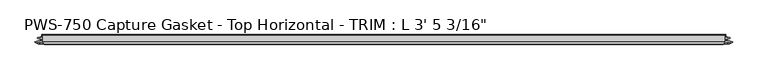
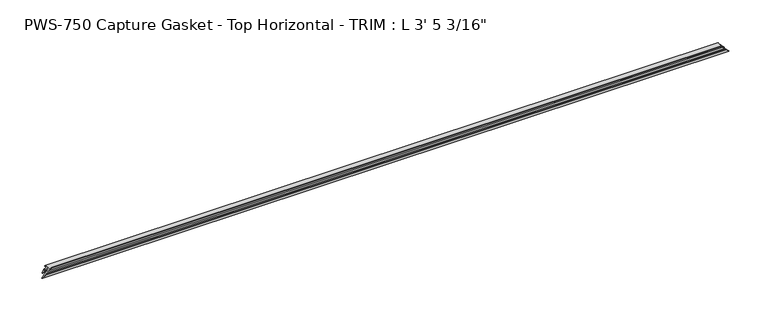
"""IFC4 building model written with IfcOpenShell, lengths in millimetres: proxy geometry."""

import ifcopenshell
import ifcopenshell.guid

model = None  # the IFC model being written
_history = None  # IfcOwnerHistory: only IFC2X3 demands one
_inside = {}  # id of a spatial element -> (the spatial element, [elements in it])
_under = {}  # id of a project, library or spatial element -> (it, [spatial elements below it])
_declared = {}  # id of a project -> (the project, [libraries it declares])
_typed = {}  # id of a type object -> (the type object, [elements of that type])
_made_of = {}  # id of a material, layer set ... -> (it, [elements and type objects made of it])


def new_model(schema):
    """Start an empty IFC model of exactly this schema.

    Asked for "IFC4X3", IfcOpenShell would pick the latest addendum, in which some entities
    have other attributes; the version numbers below select the first issue.
    IFC2X3 requires an IfcOwnerHistory on every rooted entity: one is made here for all.
    """
    global model, _history
    if schema == "IFC4X3":
        model = ifcopenshell.file(schema_version=(4, 3, 0, 0))
    else:
        model = ifcopenshell.file(schema=schema)
    _inside.clear()
    _under.clear()
    _declared.clear()
    _typed.clear()
    _made_of.clear()
    _history = None
    if model.schema == "IFC2X3":
        org = make("IfcOrganization", Name="unknown")
        user = make(
            "IfcPersonAndOrganization",
            ThePerson=make("IfcPerson", FamilyName="unknown"),
            TheOrganization=org,
        )
        app = make(
            "IfcApplication",
            ApplicationDeveloper=org,
            Version="unknown",
            ApplicationFullName="unknown",
            ApplicationIdentifier="unknown",
        )
        _history = make(
            "IfcOwnerHistory",
            OwningUser=user,
            OwningApplication=app,
            ChangeAction="ADDED",
            CreationDate=0,
        )
    return model


def make(cls, **values):
    """One entity of the class cls with the attributes given. An attribute that is None is left unset."""
    return model.create_entity(
        cls, **{name: value for name, value in values.items() if value is not None}
    )


def rooted(cls, **values):
    """An entity with a GlobalId (a new one), such as an element, a storey or a relation."""
    return make(cls, GlobalId=ifcopenshell.guid.new(), OwnerHistory=_history, **values)


def si_unit(unit_type, name, prefix=None):
    """IfcSIUnit, for example si_unit("LENGTHUNIT", "METRE", prefix="MILLI")."""
    return make("IfcSIUnit", UnitType=unit_type, Prefix=prefix, Name=name)


def assignment(units):
    """IfcUnitAssignment: the units of a project."""
    return None if units is None else make("IfcUnitAssignment", Units=units)


def point(xyz):
    """IfcCartesianPoint."""
    return None if xyz is None else make("IfcCartesianPoint", Coordinates=xyz)


def direction(xyz):
    """IfcDirection."""
    return None if xyz is None else make("IfcDirection", DirectionRatios=xyz)


def frame(location, z_axis=None, x_axis=None):
    """IfcAxis2Placement3D, a coordinate frame: its origin and axes. An axis left out is left unset."""
    return make(
        "IfcAxis2Placement3D",
        Location=point(location),
        Axis=direction(z_axis),
        RefDirection=direction(x_axis),
    )


def origin():
    """The frame at (0, 0, 0) with its axes left unset."""
    return frame((0.0, 0.0, 0.0))


def place(relative_to, where):
    """IfcLocalPlacement: puts the frame where relative to a parent placement (None: the world)."""
    return make(
        "IfcLocalPlacement", PlacementRelTo=relative_to, RelativePlacement=where
    )


def context(
    kind, dimensions, precision=None, world=None, true_north=None, identifier=None
):
    """IfcGeometricRepresentationContext, for example the 3D "Model" context."""
    return make(
        "IfcGeometricRepresentationContext",
        ContextIdentifier=identifier,
        ContextType=kind,
        CoordinateSpaceDimension=dimensions,
        Precision=precision,
        WorldCoordinateSystem=world,
        TrueNorth=true_north,
    )


def project(units=None, contexts=None):
    """IfcProject with its units and contexts."""
    return rooted(
        "IfcProject",
        Name="project",
        RepresentationContexts=contexts,
        UnitsInContext=assignment(units),
    )


def spatial(cls, under=None, at=None, **own):
    """A site, building, storey or space (cls), placed at a placement, below another one or the project."""
    s = rooted(cls, ObjectPlacement=at, **own)
    if under is not None:
        _under.setdefault(under.id(), (under, []))[1].append(s)
    return s


def faces_of(points, faces, orient=None, outer=None):
    """IfcFace entities. A face is a list of loops; a loop is a list of indices into points, from 0.

    orient and outer hold one flag for each loop. By default every Orientation is true, the
    first loop of a face is its IfcFaceOuterBound and the others are IfcFaceBound.
    """
    made = []
    for i, loops in enumerate(faces):
        bounds = []
        for j, loop in enumerate(loops):
            is_outer = j == 0 if outer is None else outer[i][j]
            bounds.append(
                make(
                    "IfcFaceOuterBound" if is_outer else "IfcFaceBound",
                    Bound=make("IfcPolyLoop", Polygon=[points[k] for k in loop]),
                    Orientation=True if orient is None else orient[i][j],
                )
            )
        made.append(make("IfcFace", Bounds=bounds))
    return made


def faceted_brep(points, faces, orient=None, outer=None, voids=None):
    """IfcFacetedBrep: a solid bounded by flat faces; with voids (closed shells), ...WithVoids."""
    shared = [point(p) for p in points]
    hull = make("IfcClosedShell", CfsFaces=faces_of(shared, faces, orient, outer))
    if voids is None:
        return make("IfcFacetedBrep", Outer=hull)
    return make(
        "IfcFacetedBrepWithVoids",
        Outer=hull,
        Voids=[
            make(cls, CfsFaces=faces_of(shared, fs, o, b)) for cls, fs, o, b in voids
        ],
    )


def shape(context_of_items, identifier, shape_type, items):
    """IfcShapeRepresentation: the items that make up one representation, for example the "Body"."""
    return make(
        "IfcShapeRepresentation",
        ContextOfItems=context_of_items,
        RepresentationIdentifier=identifier,
        RepresentationType=shape_type,
        Items=items,
    )


def source(mapping_origin, context_of_items, identifier, shape_type, items):
    """IfcRepresentationMap: a shape defined once, which mapped items show again and again."""
    return make(
        "IfcRepresentationMap",
        MappingOrigin=mapping_origin,
        MappedRepresentation=shape(context_of_items, identifier, shape_type, items),
    )


def transform(
    local_origin,
    x_axis=None,
    y_axis=None,
    z_axis=None,
    scale=None,
    scale2=None,
    scale3=None,
    uniform=True,
):
    """IfcCartesianTransformationOperator3D, or its non-uniform kind. x_axis, y_axis, z_axis: its Axis1, 2, 3."""
    if uniform:
        return make(
            "IfcCartesianTransformationOperator3D",
            Axis1=direction(x_axis),
            Axis2=direction(y_axis),
            LocalOrigin=point(local_origin),
            Scale=scale,
            Axis3=direction(z_axis),
        )
    return make(
        "IfcCartesianTransformationOperator3DnonUniform",
        Axis1=direction(x_axis),
        Axis2=direction(y_axis),
        LocalOrigin=point(local_origin),
        Scale=scale,
        Axis3=direction(z_axis),
        Scale2=scale2,
        Scale3=scale3,
    )


def mapped(mapping_source, mapping_target):
    """IfcMappedItem: shows the shape of a source again, moved by a transform."""
    return make(
        "IfcMappedItem", MappingSource=mapping_source, MappingTarget=mapping_target
    )


def made_of(thing, what):
    """Note that an element or type object is made of a material, layer set ...; save() writes the relation."""
    if what is not None:
        _made_of.setdefault(what.id(), (what, []))[1].append(thing)
    return thing


def element(
    cls,
    number,
    at=None,
    inside=None,
    cuts=None,
    type_object=None,
    material=None,
    context=None,
    identifier="Body",
    shape_type=None,
    held_by="IfcProductDefinitionShape",
    body=None,
    shapes=None,
    **own,
):
    """One element of the class cls, such as IfcWall. Its Tag is "e" and its number.

    at: its placement. inside: the storey or other place that contains it. cuts: it is an
    opening in that element (IfcRelVoidsElement). A single representation is given by context,
    identifier, shape_type and body (its items); several are given by shapes. held_by: the class
    of the entity that holds the representations. save() writes the other relations.
    """
    e = rooted(cls, Tag="e%d" % number, ObjectPlacement=at, **own)
    if body is not None:
        shapes = [shape(context, identifier, shape_type, body)]
    if shapes is not None:
        e.Representation = make(held_by, Representations=shapes)
    if inside is not None:
        _inside.setdefault(inside.id(), (inside, []))[1].append(e)
    if cuts is not None:
        rooted(
            "IfcRelVoidsElement", RelatingBuildingElement=cuts, RelatedOpeningElement=e
        )
    if type_object is not None:
        _typed.setdefault(type_object.id(), (type_object, []))[1].append(e)
    return made_of(e, material)


def aggregate(whole, parts):
    """IfcRelAggregates: a whole, such as a stair, and the parts it consists of."""
    return rooted("IfcRelAggregates", RelatingObject=whole, RelatedObjects=parts)


def save(model, path):
    """Write the relations noted so far, then the file.

    IfcRelAggregates (storeys below a building ...), IfcRelContainedInSpatialStructure (elements
    in a storey), IfcRelDefinesByType, IfcRelAssociatesMaterial and IfcRelDeclares: one each for
    every whole, place, type object, material and project.
    """
    for whole, parts in _under.values():
        aggregate(whole, parts)
    for where, things in _inside.values():
        rooted(
            "IfcRelContainedInSpatialStructure",
            RelatedElements=things,
            RelatingStructure=where,
        )
    for kind, things in _typed.values():
        rooted("IfcRelDefinesByType", RelatedObjects=things, RelatingType=kind)
    for what, things in _made_of.values():
        rooted("IfcRelAssociatesMaterial", RelatedObjects=things, RelatingMaterial=what)
    for by, libraries in _declared.values():
        rooted("IfcRelDeclares", RelatingContext=by, RelatedDefinitions=libraries)
    model.write(path)


def proxy_e00efe28(model_context):
    return source(origin(), model_context, "Body", "Brep", [
        faceted_brep([(1035.5813313, -3.1126161, 10.5811687), (1036.1299402, -3.8999328, 10.0325598), (10.0325598, -3.8999328, 10.0325598), (10.5811687, -3.1126161, 10.5811687), (1039.245189, -4.2700002, 6.917311), (6.917311, -4.2700002, 6.917311), (1037.9458734, -3.1803976, 8.2166266), (8.2166266, -3.1803976, 8.2166266), (1041.890583, -4.5858484, 4.271917), (4.271917, -4.5858484, 4.271917), (1042.4799402, -5.3411219, 3.6825598), (3.6825598, -5.3411219, 3.6825598), (1041.8537816, -6.061435, 4.3087184), (4.3087184, -6.061435, 4.3087184), (1037.9458734, -7.4537739, 8.2166266), (8.2166266, -7.4537739, 8.2166266), (1039.245189, -6.3641713, 6.917311), (6.917311, -6.3641713, 6.917311), (1036.1299402, -6.7342387, 10.0325598), (10.0325598, -6.7342387, 10.0325598), (1036.1299402, -9.5788982, 10.0325598), (10.0325598, -9.5788982, 10.0325598), (1041.716837, -9.5788982, 4.445663), (4.445663, -9.5788982, 4.445663), (0.032506, -10.6641492, 0.032506), (1046.129994, -10.6641492, 0.032506), (1045.8527855, -11.6592287, 0.3097145), (0.3097145, -11.6592287, 0.3097145), (1040.7507274, -14.0291241, 5.4117726), (5.4117726, -14.0291241, 5.4117726), (1042.8067689, -11.9730826, 3.3557311), (3.3557311, -11.9730826, 3.3557311), (1040.6399938, -11.9730826, 5.5225062), (5.5225062, -11.9730826, 5.5225062), (1037.6700285, -14.0291241, 8.4924715), (8.4924715, -14.0291241, 8.4924715), (1039.513064, -11.7844518, 6.649436), (6.649436, -11.7844518, 6.649436), (1036.4080806, -12.0846322, 9.7544194), (9.7544194, -12.0846322, 9.7544194), (1032.1723236, -14.4184849, 13.9901764), (13.9901764, -14.4184849, 13.9901764), (1031.8071734, -13.6397632, 14.3553266), (14.3553266, -13.6397632, 14.3553266), (1034.3592509, -11.0876857, 11.8032491), (11.8032491, -11.0876857, 11.8032491), (1034.7048303, -1.3581987, 11.4576697), (11.4576697, -1.3581987, 11.4576697), (1036.063029, 0.0, 10.099471), (10.099471, 0.0, 10.099471), (1036.063029, -1.1075685, 10.099471), (10.099471, -1.1075685, 10.099471)], [[[0, 1, 2, 3]], [[1, 4, 5, 2]], [[4, 6, 7, 5]], [[6, 8, 9, 7]], [[8, 10, 11, 9]], [[10, 12, 13, 11]], [[12, 14, 15, 13]], [[14, 16, 17, 15]], [[16, 18, 19, 17]], [[18, 20, 21, 19]], [[20, 22, 23, 21]], [[24, 23, 22, 25]], [[25, 26, 27, 24]], [[26, 28, 29, 27]], [[28, 30, 31, 29]], [[30, 32, 33, 31]], [[32, 34, 35, 33]], [[34, 36, 37, 35]], [[36, 38, 39, 37]], [[38, 40, 41, 39]], [[40, 42, 43, 41]], [[42, 44, 45, 43]], [[44, 46, 47, 45]], [[46, 48, 49, 47]], [[48, 50, 51, 49]], [[3, 51, 50, 0]], [[2, 5, 7, 9, 11, 13, 15, 17, 19, 21, 23, 24, 27, 29, 31, 33, 35, 37, 39, 41, 43, 45, 47, 49, 51, 3]], [[0, 50, 48, 46, 44, 42, 40, 38, 36, 34, 32, 30, 28, 26, 25, 22, 20, 18, 16, 14, 12, 10, 8, 6, 4, 1]]]),
    ])


if __name__ == "__main__":
    model = new_model("IFC4")
    model_context = context("Model", 3, world=origin())
    ifc_project = project(units=[si_unit("LENGTHUNIT", "METRE", prefix="MILLI")], contexts=[model_context])
    site = spatial("IfcSite", under=ifc_project)
    building = spatial("IfcBuilding", under=site)
    placement = place(None, origin())
    proxy_shape = proxy_e00efe28(model_context)
    element("IfcBuildingElementProxy", 1, Name="PWS-750 Capture Gasket - Top Horizontal - TRIM : L 3' 5 3/16\"", ObjectType="PWS-750 Capture Gasket - Top Horizontal - TRIM : L 3' 5 3/16\"", at=placement, inside=building, context=model_context, shape_type="MappedRepresentation", body=[
        mapped(proxy_shape, transform((0.0, 0.0, 0.0), x_axis=(1.0, 0.0, 0.0), y_axis=(0.0, 1.0, 0.0), z_axis=(0.0, 0.0, 1.0))),
    ])
    save(model, "model.ifc")
